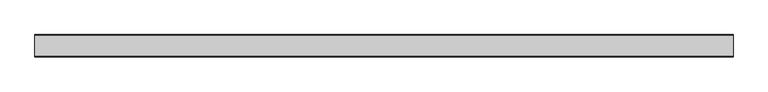
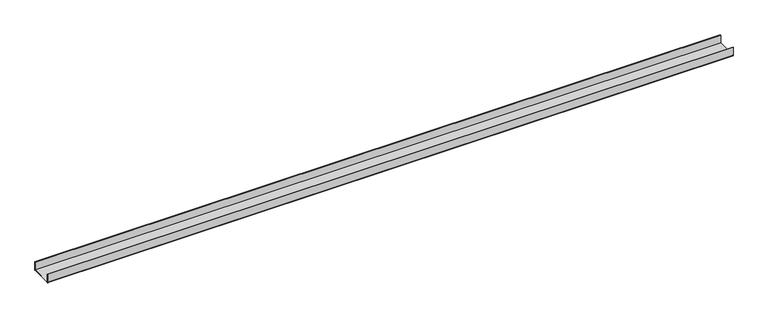
"""IFC4 building model written with IfcOpenShell, lengths in millimetres: proxy geometry."""

from ifc_helpers import new_model, si_unit, point, frame, frame_2d, origin, place, context, project, spatial, polyline, circle_curve, trimmed, segment, composite_curve, outline, extrude, source, transform, mapped, element, save


def generic_models_3d0563d4(model_context):
    return source(origin(), model_context, "Body", "SweptSolid", [
        extrude(outline(composite_curve([segment(polyline([(-50.5, 2.0), (-50.5, 40.0), (-48.5, 40.0), (-48.5, 2.0), (48.5, 2.0), (48.5, 40.0), (50.5, 40.0), (50.5, 2.0)]), True, "CONTINUOUS"), segment(trimmed(circle_curve(frame_2d((48.5, 2.0)), 2.0), [point((50.5, 2.0))], [point((48.5, 0.0))], False, "CARTESIAN"), True, "CONTINUOUS"), segment(polyline([(48.5, 0.0), (-48.5, 0.0)]), True, "CONTINUOUS"), segment(trimmed(circle_curve(frame_2d((-48.5, 2.0)), 2.0), [point((-48.5, 0.0))], [point((-50.5, 2.0))], False, "CARTESIAN"), True, "CONTINUOUS")], self_intersect=False)), frame((0.0, 0.0, 0.0), z_axis=(1.0, 0.0, 0.0), x_axis=(0.0, 1.0, 0.0)), (0.0, 0.0, 1.0), 3157.8021918),
    ])


if __name__ == "__main__":
    model = new_model("IFC4")
    model_context = context("Model", 3, world=origin())
    ifc_project = project(units=[si_unit("LENGTHUNIT", "METRE", prefix="MILLI")], contexts=[model_context])
    site = spatial("IfcSite", under=ifc_project)
    building = spatial("IfcBuilding", under=site)
    placement = place(None, origin())
    generic_models_shape = generic_models_3d0563d4(model_context)
    element("IfcBuildingElementProxy", 1, Name="Generic Models", at=placement, inside=building, context=model_context, shape_type="MappedRepresentation", body=[
        mapped(generic_models_shape, transform((0.0, 0.0, 0.0), x_axis=(1.0, 0.0, 0.0), y_axis=(0.0, 1.0, 0.0), z_axis=(0.0, 0.0, 1.0))),
    ])
    save(model, "model.ifc")
